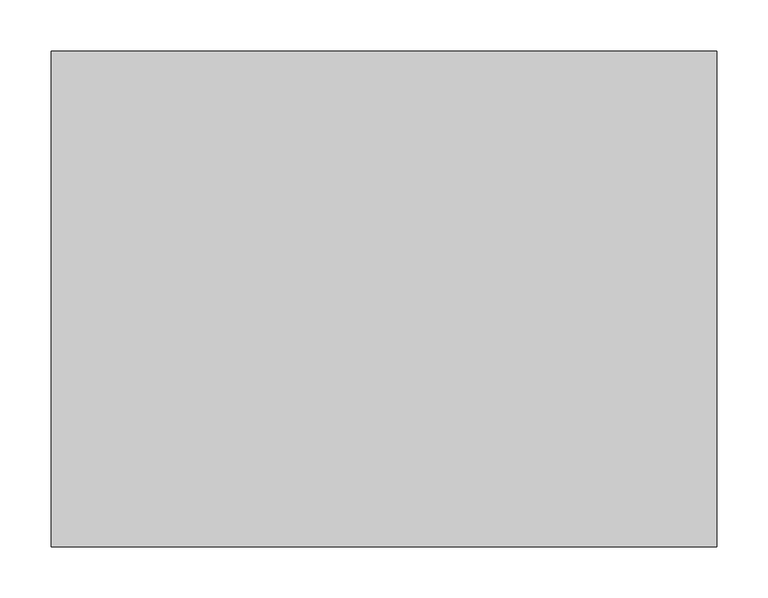
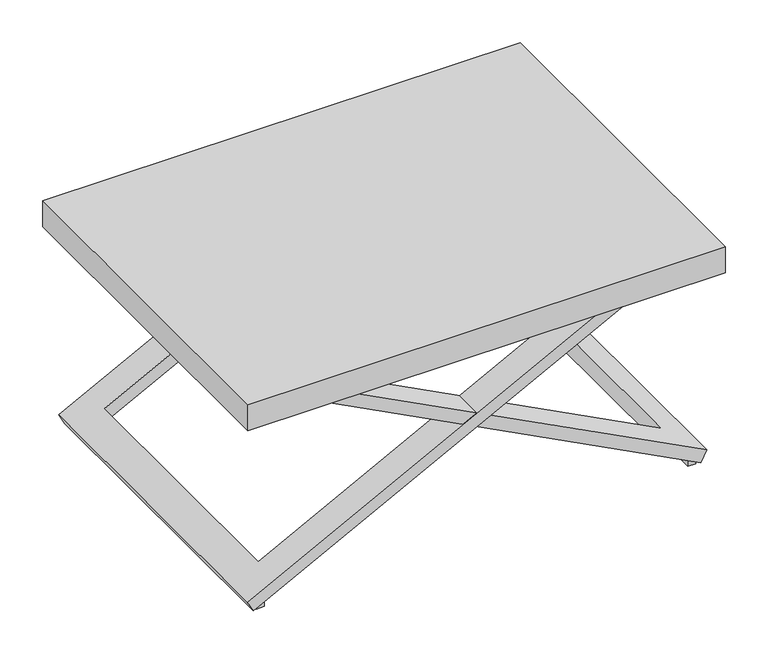
"""IFC4 building model written with IfcOpenShell, lengths in millimetres: furniture geometry."""

import ifcopenshell
import ifcopenshell.guid

model = None  # the IFC model being written
_history = None  # IfcOwnerHistory: only IFC2X3 demands one
_inside = {}  # id of a spatial element -> (the spatial element, [elements in it])
_under = {}  # id of a project, library or spatial element -> (it, [spatial elements below it])
_declared = {}  # id of a project -> (the project, [libraries it declares])
_typed = {}  # id of a type object -> (the type object, [elements of that type])
_made_of = {}  # id of a material, layer set ... -> (it, [elements and type objects made of it])


def new_model(schema):
    """Start an empty IFC model of exactly this schema.

    Asked for "IFC4X3", IfcOpenShell would pick the latest addendum, in which some entities
    have other attributes; the version numbers below select the first issue.
    IFC2X3 requires an IfcOwnerHistory on every rooted entity: one is made here for all.
    """
    global model, _history
    if schema == "IFC4X3":
        model = ifcopenshell.file(schema_version=(4, 3, 0, 0))
    else:
        model = ifcopenshell.file(schema=schema)
    _inside.clear()
    _under.clear()
    _declared.clear()
    _typed.clear()
    _made_of.clear()
    _history = None
    if model.schema == "IFC2X3":
        org = make("IfcOrganization", Name="unknown")
        user = make(
            "IfcPersonAndOrganization",
            ThePerson=make("IfcPerson", FamilyName="unknown"),
            TheOrganization=org,
        )
        app = make(
            "IfcApplication",
            ApplicationDeveloper=org,
            Version="unknown",
            ApplicationFullName="unknown",
            ApplicationIdentifier="unknown",
        )
        _history = make(
            "IfcOwnerHistory",
            OwningUser=user,
            OwningApplication=app,
            ChangeAction="ADDED",
            CreationDate=0,
        )
    return model


def make(cls, **values):
    """One entity of the class cls with the attributes given. An attribute that is None is left unset."""
    return model.create_entity(
        cls, **{name: value for name, value in values.items() if value is not None}
    )


def rooted(cls, **values):
    """An entity with a GlobalId (a new one), such as an element, a storey or a relation."""
    return make(cls, GlobalId=ifcopenshell.guid.new(), OwnerHistory=_history, **values)


def si_unit(unit_type, name, prefix=None):
    """IfcSIUnit, for example si_unit("LENGTHUNIT", "METRE", prefix="MILLI")."""
    return make("IfcSIUnit", UnitType=unit_type, Prefix=prefix, Name=name)


def assignment(units):
    """IfcUnitAssignment: the units of a project."""
    return None if units is None else make("IfcUnitAssignment", Units=units)


def point(xyz):
    """IfcCartesianPoint."""
    return None if xyz is None else make("IfcCartesianPoint", Coordinates=xyz)


def direction(xyz):
    """IfcDirection."""
    return None if xyz is None else make("IfcDirection", DirectionRatios=xyz)


def frame(location, z_axis=None, x_axis=None):
    """IfcAxis2Placement3D, a coordinate frame: its origin and axes. An axis left out is left unset."""
    return make(
        "IfcAxis2Placement3D",
        Location=point(location),
        Axis=direction(z_axis),
        RefDirection=direction(x_axis),
    )


def origin():
    """The frame at (0, 0, 0) with its axes left unset."""
    return frame((0.0, 0.0, 0.0))


def origin_with_axes():
    """The frame at (0, 0, 0) with the z axis (0, 0, 1) and the x axis (1, 0, 0) written out."""
    return frame((0.0, 0.0, 0.0), z_axis=(0.0, 0.0, 1.0), x_axis=(1.0, 0.0, 0.0))


def place(relative_to, where):
    """IfcLocalPlacement: puts the frame where relative to a parent placement (None: the world)."""
    return make(
        "IfcLocalPlacement", PlacementRelTo=relative_to, RelativePlacement=where
    )


def context(
    kind, dimensions, precision=None, world=None, true_north=None, identifier=None
):
    """IfcGeometricRepresentationContext, for example the 3D "Model" context."""
    return make(
        "IfcGeometricRepresentationContext",
        ContextIdentifier=identifier,
        ContextType=kind,
        CoordinateSpaceDimension=dimensions,
        Precision=precision,
        WorldCoordinateSystem=world,
        TrueNorth=true_north,
    )


def project(units=None, contexts=None):
    """IfcProject with its units and contexts."""
    return rooted(
        "IfcProject",
        Name="project",
        RepresentationContexts=contexts,
        UnitsInContext=assignment(units),
    )


def spatial(cls, under=None, at=None, **own):
    """A site, building, storey or space (cls), placed at a placement, below another one or the project."""
    s = rooted(cls, ObjectPlacement=at, **own)
    if under is not None:
        _under.setdefault(under.id(), (under, []))[1].append(s)
    return s


def polyline(points):
    """IfcPolyline through the points."""
    return make("IfcPolyline", Points=[point(p) for p in points])


def outline(outer, holes=None, kind="AREA"):
    """IfcArbitraryClosedProfileDef: a profile drawn as a closed curve; with holes, ...WithVoids."""
    if holes is None:
        return make("IfcArbitraryClosedProfileDef", ProfileType=kind, OuterCurve=outer)
    return make(
        "IfcArbitraryProfileDefWithVoids",
        ProfileType=kind,
        OuterCurve=outer,
        InnerCurves=holes,
    )


def extrude(swept, where, along, depth):
    """IfcExtrudedAreaSolid: the profile swept, set in the frame where, extruded along a direction by depth."""
    return make(
        "IfcExtrudedAreaSolid",
        SweptArea=swept,
        Position=where,
        ExtrudedDirection=direction(along),
        Depth=depth,
    )


def faces_of(points, faces, orient=None, outer=None):
    """IfcFace entities. A face is a list of loops; a loop is a list of indices into points, from 0.

    orient and outer hold one flag for each loop. By default every Orientation is true, the
    first loop of a face is its IfcFaceOuterBound and the others are IfcFaceBound.
    """
    made = []
    for i, loops in enumerate(faces):
        bounds = []
        for j, loop in enumerate(loops):
            is_outer = j == 0 if outer is None else outer[i][j]
            bounds.append(
                make(
                    "IfcFaceOuterBound" if is_outer else "IfcFaceBound",
                    Bound=make("IfcPolyLoop", Polygon=[points[k] for k in loop]),
                    Orientation=True if orient is None else orient[i][j],
                )
            )
        made.append(make("IfcFace", Bounds=bounds))
    return made


def faceted_brep(points, faces, orient=None, outer=None, voids=None):
    """IfcFacetedBrep: a solid bounded by flat faces; with voids (closed shells), ...WithVoids."""
    shared = [point(p) for p in points]
    hull = make("IfcClosedShell", CfsFaces=faces_of(shared, faces, orient, outer))
    if voids is None:
        return make("IfcFacetedBrep", Outer=hull)
    return make(
        "IfcFacetedBrepWithVoids",
        Outer=hull,
        Voids=[
            make(cls, CfsFaces=faces_of(shared, fs, o, b)) for cls, fs, o, b in voids
        ],
    )


def shape(context_of_items, identifier, shape_type, items):
    """IfcShapeRepresentation: the items that make up one representation, for example the "Body"."""
    return make(
        "IfcShapeRepresentation",
        ContextOfItems=context_of_items,
        RepresentationIdentifier=identifier,
        RepresentationType=shape_type,
        Items=items,
    )


def source(mapping_origin, context_of_items, identifier, shape_type, items):
    """IfcRepresentationMap: a shape defined once, which mapped items show again and again."""
    return make(
        "IfcRepresentationMap",
        MappingOrigin=mapping_origin,
        MappedRepresentation=shape(context_of_items, identifier, shape_type, items),
    )


def transform(
    local_origin,
    x_axis=None,
    y_axis=None,
    z_axis=None,
    scale=None,
    scale2=None,
    scale3=None,
    uniform=True,
):
    """IfcCartesianTransformationOperator3D, or its non-uniform kind. x_axis, y_axis, z_axis: its Axis1, 2, 3."""
    if uniform:
        return make(
            "IfcCartesianTransformationOperator3D",
            Axis1=direction(x_axis),
            Axis2=direction(y_axis),
            LocalOrigin=point(local_origin),
            Scale=scale,
            Axis3=direction(z_axis),
        )
    return make(
        "IfcCartesianTransformationOperator3DnonUniform",
        Axis1=direction(x_axis),
        Axis2=direction(y_axis),
        LocalOrigin=point(local_origin),
        Scale=scale,
        Axis3=direction(z_axis),
        Scale2=scale2,
        Scale3=scale3,
    )


def mapped(mapping_source, mapping_target):
    """IfcMappedItem: shows the shape of a source again, moved by a transform."""
    return make(
        "IfcMappedItem", MappingSource=mapping_source, MappingTarget=mapping_target
    )


def made_of(thing, what):
    """Note that an element or type object is made of a material, layer set ...; save() writes the relation."""
    if what is not None:
        _made_of.setdefault(what.id(), (what, []))[1].append(thing)
    return thing


def element(
    cls,
    number,
    at=None,
    inside=None,
    cuts=None,
    type_object=None,
    material=None,
    context=None,
    identifier="Body",
    shape_type=None,
    held_by="IfcProductDefinitionShape",
    body=None,
    shapes=None,
    **own,
):
    """One element of the class cls, such as IfcWall. Its Tag is "e" and its number.

    at: its placement. inside: the storey or other place that contains it. cuts: it is an
    opening in that element (IfcRelVoidsElement). A single representation is given by context,
    identifier, shape_type and body (its items); several are given by shapes. held_by: the class
    of the entity that holds the representations. save() writes the other relations.
    """
    e = rooted(cls, Tag="e%d" % number, ObjectPlacement=at, **own)
    if body is not None:
        shapes = [shape(context, identifier, shape_type, body)]
    if shapes is not None:
        e.Representation = make(held_by, Representations=shapes)
    if inside is not None:
        _inside.setdefault(inside.id(), (inside, []))[1].append(e)
    if cuts is not None:
        rooted(
            "IfcRelVoidsElement", RelatingBuildingElement=cuts, RelatedOpeningElement=e
        )
    if type_object is not None:
        _typed.setdefault(type_object.id(), (type_object, []))[1].append(e)
    return made_of(e, material)


def aggregate(whole, parts):
    """IfcRelAggregates: a whole, such as a stair, and the parts it consists of."""
    return rooted("IfcRelAggregates", RelatingObject=whole, RelatedObjects=parts)


def save(model, path):
    """Write the relations noted so far, then the file.

    IfcRelAggregates (storeys below a building ...), IfcRelContainedInSpatialStructure (elements
    in a storey), IfcRelDefinesByType, IfcRelAssociatesMaterial and IfcRelDeclares: one each for
    every whole, place, type object, material and project.
    """
    for whole, parts in _under.values():
        aggregate(whole, parts)
    for where, things in _inside.values():
        rooted(
            "IfcRelContainedInSpatialStructure",
            RelatedElements=things,
            RelatingStructure=where,
        )
    for kind, things in _typed.values():
        rooted("IfcRelDefinesByType", RelatedObjects=things, RelatingType=kind)
    for what, things in _made_of.values():
        rooted("IfcRelAssociatesMaterial", RelatedObjects=things, RelatingMaterial=what)
    for by, libraries in _declared.values():
        rooted("IfcRelDeclares", RelatingContext=by, RelatedDefinitions=libraries)
    model.write(path)


def furniture_79dcc17c(model_context):
    return source(origin(), model_context, "Body", "SolidModel", [
        faceted_brep([(-303.4790344, -218.2940799, 0.6195144), (-303.4778167, 224.4692286, 0.6171752), (233.5709668, 224.4692286, 280.1870765), (233.5704398, 183.6141278, 280.1870765), (-265.1986159, 183.6141278, 20.5443402), (-265.1996089, -177.4389789, 20.5462477), (233.5657826, -177.4389789, 280.1870765), (233.5652556, -218.2940799, 280.1870765), (-273.3152556, -177.4388742, 36.1362599), (-273.3142626, 183.6142325, 36.1343524), (195.5066584, 183.6142325, 280.1870765), (195.5071854, 224.4693333, 280.1870765), (-311.5934634, 224.4693333, 16.2071874), (-311.5946811, -218.2939753, 16.2095266), (195.5014742, -218.2939753, 280.1870765), (195.5020012, -177.4388742, 280.1870765)], [[[0, 1, 2, 3, 4, 5, 6, 7]], [[8, 9, 10, 11, 12, 13, 14, 15]], [[13, 0, 7, 14]], [[1, 0, 13, 12]], [[1, 12, 11, 2]], [[9, 4, 3, 10]], [[5, 4, 9, 8]], [[5, 8, 15, 6]], [[3, 2, 11, 10]], [[7, 6, 15, 14]]]),
        faceted_brep([(265.1996089, -177.4389789, 20.5462477), (265.1986159, 183.6141278, 20.5443402), (-233.5704398, 183.6141278, 280.1870765), (-233.5709668, 224.4692286, 280.1870765), (303.4778167, 224.4692286, 0.6171752), (303.4790344, -218.2940799, 0.6195144), (-233.5652556, -218.2940799, 280.1870765), (-233.5657826, -177.4389789, 280.1870765), (311.5946811, -218.2939753, 16.2095266), (311.5934634, 224.4693333, 16.2071874), (-195.5071854, 224.4693333, 280.1870765), (-195.5066584, 183.6142325, 280.1870765), (273.3142626, 183.6142325, 36.1343524), (273.3152556, -177.4388742, 36.1362599), (-195.5020012, -177.4388742, 280.1870765), (-195.5014742, -218.2939753, 280.1870765)], [[[0, 1, 2, 3, 4, 5, 6, 7]], [[8, 9, 10, 11, 12, 13, 14, 15]], [[5, 8, 15, 6]], [[5, 4, 9, 8]], [[9, 4, 3, 10]], [[1, 12, 11, 2]], [[1, 0, 13, 12]], [[13, 0, 7, 14]], [[3, 2, 11, 10]], [[7, 6, 15, 14]]]),
        extrude(outline(polyline([(-287.131461, -174.2889794), (-287.1317089, -215.8976508), (-298.2729752, -215.8975844), (-298.2727274, -174.2889131), (-287.131461, -174.2889794)])), origin_with_axes(), (0.0, 0.0, 1.0), 7.7247),
        extrude(outline(polyline([(-287.1291003, 222.0715584), (-287.1293486, 180.3885104), (-298.2706149, 180.3885767), (-298.2703667, 222.0716247), (-287.1291003, 222.0715584)])), origin_with_axes(), (0.0, 0.0, 1.0), 7.7247),
        extrude(outline(polyline([(323.85, 241.3), (323.85, -241.3), (-323.85, -241.3), (-323.85, 241.3), (323.85, 241.3)])), frame((0.0, 0.0, 280.1870765), z_axis=(0.0, 0.0, 1.0), x_axis=(1.0, 0.0, 0.0)), (0.0, 0.0, 1.0), 37.3129235),
        extrude(outline(polyline([(287.1317089, -215.8976508), (287.131461, -174.2889794), (298.2727274, -174.2889131), (298.2729752, -215.8975844), (287.1317089, -215.8976508)])), origin_with_axes(), (0.0, 0.0, 1.0), 7.7247),
        extrude(outline(polyline([(287.1293486, 180.3885104), (287.1291003, 222.0715584), (298.2703667, 222.0716247), (298.2706149, 180.3885767), (287.1293486, 180.3885104)])), origin_with_axes(), (0.0, 0.0, 1.0), 7.7247),
    ])


if __name__ == "__main__":
    model = new_model("IFC4")
    model_context = context("Model", 3, world=origin())
    ifc_project = project(units=[si_unit("LENGTHUNIT", "METRE", prefix="MILLI")], contexts=[model_context])
    site = spatial("IfcSite", under=ifc_project)
    building = spatial("IfcBuilding", under=site)
    placement = place(None, origin())
    furniture_shape = furniture_79dcc17c(model_context)
    element("IfcFurniture", 1, at=placement, inside=building, context=model_context, shape_type="MappedRepresentation", body=[
        mapped(furniture_shape, transform((0.0, 0.0, 0.0), x_axis=(1.0, 0.0, 0.0), y_axis=(0.0, 1.0, 0.0), z_axis=(0.0, 0.0, 1.0))),
    ])
    save(model, "model.ifc")
